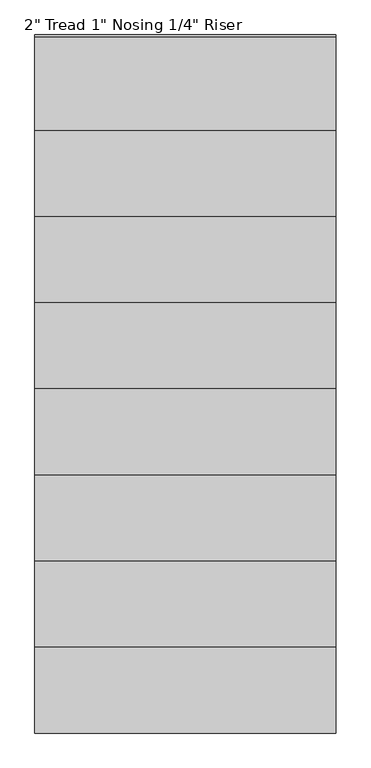
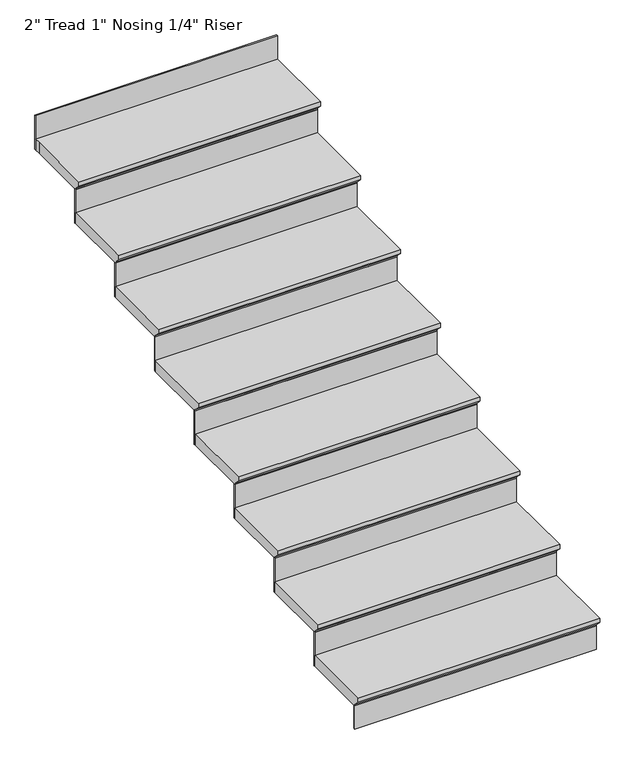
"""IFC4 building model written with IfcOpenShell, lengths in millimetres: stair flight geometry."""

from ifc_helpers import new_model, si_unit, origin, place, context, project, spatial, faceted_brep, source, transform, mapped, element, save


def stair_flight_7e932de0(model_context):
    return source(origin(), model_context, "Body", "Brep", [
        faceted_brep([(26146.5688569, -14483.5796278, 140.4055556), (26146.5688569, -14483.5796278, 159.4555556), (25079.7688569, -14483.5796278, 159.4555556), (25079.7688569, -14483.5796278, 140.4055556), (26146.5688569, -14458.1796278, 115.0055556), (25079.7688569, -14458.1796278, 115.0055556), (26146.5688569, -14153.3796278, 159.4555556), (25079.7688569, -14153.3796278, 159.4555556), (25079.7688569, -14458.1796278, 108.6555556), (25079.7688569, -14153.3796278, 108.6555556), (26146.5688569, -14153.3796278, 108.6555556), (26146.5688569, -14458.1796278, 108.6555556)], [[[0, 1, 2, 3]], [[4, 0, 3, 5]], [[2, 1, 6, 7]], [[8, 9, 10, 11]], [[2, 7, 9, 8, 5, 3]], [[8, 11, 4, 5]], [[6, 1, 0, 4, 11, 10]], [[7, 6, 10, 9]]]),
        faceted_brep([(26146.5688569, -14458.1796278, 108.6555556), (26146.5688569, -14458.1796278, 0.0), (26146.5688569, -14451.8296278, 0.0), (26146.5688569, -14451.8296278, 108.6555556), (25079.7688569, -14458.1796278, 108.6555556), (25079.7688569, -14451.8296278, 108.6555556), (25079.7688569, -14451.8296278, 0.0), (25079.7688569, -14458.1796278, 0.0)], [[[0, 1, 2, 3]], [[4, 5, 6, 7]], [[1, 0, 4, 7]], [[2, 1, 7, 6]], [[3, 2, 6, 5]], [[0, 3, 5, 4]]]),
        faceted_brep([(26146.5688569, -14153.3796278, 268.1111111), (26146.5688569, -14153.3796278, 108.6555556), (26146.5688569, -14147.0296278, 108.6555556), (26146.5688569, -14147.0296278, 268.1111111), (25079.7688569, -14153.3796278, 268.1111111), (25079.7688569, -14147.0296278, 268.1111111), (25079.7688569, -14147.0296278, 108.6555556), (25079.7688569, -14153.3796278, 108.6555556)], [[[0, 1, 2, 3]], [[4, 5, 6, 7]], [[1, 0, 4, 7]], [[2, 1, 7, 6]], [[3, 2, 6, 5]], [[0, 3, 5, 4]]]),
        faceted_brep([(25079.7688569, -14178.7796278, 318.9111111), (26146.5688569, -14178.7796278, 318.9111111), (26146.5688569, -13848.5796278, 318.9111111), (25079.7688569, -13848.5796278, 318.9111111), (25079.7688569, -14153.3796278, 268.1111111), (25079.7688569, -13848.5796278, 268.1111111), (26146.5688569, -13848.5796278, 268.1111111), (26146.5688569, -14153.3796278, 268.1111111), (25079.7688569, -14153.3796278, 274.4611111), (25079.7688569, -14178.7796278, 299.8611111), (26146.5688569, -14153.3796278, 274.4611111), (26146.5688569, -14178.7796278, 299.8611111)], [[[0, 1, 2, 3]], [[4, 5, 6, 7]], [[0, 3, 5, 4, 8, 9]], [[4, 7, 10, 8]], [[2, 1, 11, 10, 7, 6]], [[3, 2, 6, 5]], [[11, 1, 0, 9]], [[10, 11, 9, 8]]]),
        faceted_brep([(26146.5688569, -13848.5796278, 427.5666667), (26146.5688569, -13848.5796278, 268.1111111), (26146.5688569, -13842.2296278, 268.1111111), (26146.5688569, -13842.2296278, 427.5666667), (25079.7688569, -13848.5796278, 427.5666667), (25079.7688569, -13842.2296278, 427.5666667), (25079.7688569, -13842.2296278, 268.1111111), (25079.7688569, -13848.5796278, 268.1111111)], [[[0, 1, 2, 3]], [[4, 5, 6, 7]], [[1, 0, 4, 7]], [[2, 1, 7, 6]], [[3, 2, 6, 5]], [[0, 3, 5, 4]]]),
        faceted_brep([(25079.7688569, -13873.9796278, 478.3666667), (26146.5688569, -13873.9796278, 478.3666667), (26146.5688569, -13543.7796278, 478.3666667), (25079.7688569, -13543.7796278, 478.3666667), (25079.7688569, -13848.5796278, 427.5666667), (25079.7688569, -13543.7796278, 427.5666667), (26146.5688569, -13543.7796278, 427.5666667), (26146.5688569, -13848.5796278, 427.5666667), (25079.7688569, -13848.5796278, 433.9166667), (25079.7688569, -13873.9796278, 459.3166667), (26146.5688569, -13848.5796278, 433.9166667), (26146.5688569, -13873.9796278, 459.3166667)], [[[0, 1, 2, 3]], [[4, 5, 6, 7]], [[0, 3, 5, 4, 8, 9]], [[4, 7, 10, 8]], [[2, 1, 11, 10, 7, 6]], [[3, 2, 6, 5]], [[11, 1, 0, 9]], [[10, 11, 9, 8]]]),
        faceted_brep([(26146.5688569, -13543.7796278, 587.0222222), (26146.5688569, -13543.7796278, 427.5666667), (26146.5688569, -13537.4296278, 427.5666667), (26146.5688569, -13537.4296278, 587.0222222), (25079.7688569, -13543.7796278, 587.0222222), (25079.7688569, -13537.4296278, 587.0222222), (25079.7688569, -13537.4296278, 427.5666667), (25079.7688569, -13543.7796278, 427.5666667)], [[[0, 1, 2, 3]], [[4, 5, 6, 7]], [[1, 0, 4, 7]], [[2, 1, 7, 6]], [[3, 2, 6, 5]], [[0, 3, 5, 4]]]),
        faceted_brep([(25079.7688569, -13569.1796278, 637.8222222), (26146.5688569, -13569.1796278, 637.8222222), (26146.5688569, -13238.9796278, 637.8222222), (25079.7688569, -13238.9796278, 637.8222222), (25079.7688569, -13543.7796278, 587.0222222), (25079.7688569, -13238.9796278, 587.0222222), (26146.5688569, -13238.9796278, 587.0222222), (26146.5688569, -13543.7796278, 587.0222222), (25079.7688569, -13543.7796278, 593.3722222), (25079.7688569, -13569.1796278, 618.7722222), (26146.5688569, -13543.7796278, 593.3722222), (26146.5688569, -13569.1796278, 618.7722222)], [[[0, 1, 2, 3]], [[4, 5, 6, 7]], [[0, 3, 5, 4, 8, 9]], [[4, 7, 10, 8]], [[2, 1, 11, 10, 7, 6]], [[3, 2, 6, 5]], [[11, 1, 0, 9]], [[10, 11, 9, 8]]]),
        faceted_brep([(26146.5688569, -13238.9796278, 746.4777778), (26146.5688569, -13238.9796278, 587.0222222), (26146.5688569, -13232.6296278, 587.0222222), (26146.5688569, -13232.6296278, 746.4777778), (25079.7688569, -13238.9796278, 746.4777778), (25079.7688569, -13232.6296278, 746.4777778), (25079.7688569, -13232.6296278, 587.0222222), (25079.7688569, -13238.9796278, 587.0222222)], [[[0, 1, 2, 3]], [[4, 5, 6, 7]], [[1, 0, 4, 7]], [[2, 1, 7, 6]], [[3, 2, 6, 5]], [[0, 3, 5, 4]]]),
        faceted_brep([(25079.7688569, -13264.3796278, 797.2777778), (26146.5688569, -13264.3796278, 797.2777778), (26146.5688569, -12934.1796278, 797.2777778), (25079.7688569, -12934.1796278, 797.2777778), (25079.7688569, -13238.9796278, 746.4777778), (25079.7688569, -12934.1796278, 746.4777778), (26146.5688569, -12934.1796278, 746.4777778), (26146.5688569, -13238.9796278, 746.4777778), (25079.7688569, -13238.9796278, 752.8277778), (25079.7688569, -13264.3796278, 778.2277778), (26146.5688569, -13238.9796278, 752.8277778), (26146.5688569, -13264.3796278, 778.2277778)], [[[0, 1, 2, 3]], [[4, 5, 6, 7]], [[0, 3, 5, 4, 8, 9]], [[4, 7, 10, 8]], [[2, 1, 11, 10, 7, 6]], [[3, 2, 6, 5]], [[11, 1, 0, 9]], [[10, 11, 9, 8]]]),
        faceted_brep([(26146.5688569, -12934.1796278, 905.9333333), (26146.5688569, -12934.1796278, 746.4777778), (26146.5688569, -12927.8296278, 746.4777778), (26146.5688569, -12927.8296278, 905.9333333), (25079.7688569, -12934.1796278, 905.9333333), (25079.7688569, -12927.8296278, 905.9333333), (25079.7688569, -12927.8296278, 746.4777778), (25079.7688569, -12934.1796278, 746.4777778)], [[[0, 1, 2, 3]], [[4, 5, 6, 7]], [[1, 0, 4, 7]], [[2, 1, 7, 6]], [[3, 2, 6, 5]], [[0, 3, 5, 4]]]),
        faceted_brep([(25079.7688569, -12959.5796278, 956.7333333), (26146.5688569, -12959.5796278, 956.7333333), (26146.5688569, -12629.3796278, 956.7333333), (25079.7688569, -12629.3796278, 956.7333333), (25079.7688569, -12934.1796278, 905.9333333), (25079.7688569, -12629.3796278, 905.9333333), (26146.5688569, -12629.3796278, 905.9333333), (26146.5688569, -12934.1796278, 905.9333333), (25079.7688569, -12934.1796278, 912.2833333), (25079.7688569, -12959.5796278, 937.6833333), (26146.5688569, -12934.1796278, 912.2833333), (26146.5688569, -12959.5796278, 937.6833333)], [[[0, 1, 2, 3]], [[4, 5, 6, 7]], [[0, 3, 5, 4, 8, 9]], [[4, 7, 10, 8]], [[2, 1, 11, 10, 7, 6]], [[3, 2, 6, 5]], [[11, 1, 0, 9]], [[10, 11, 9, 8]]]),
        faceted_brep([(26146.5688569, -12629.3796278, 1065.3888889), (26146.5688569, -12629.3796278, 905.9333333), (26146.5688569, -12623.0296278, 905.9333333), (26146.5688569, -12623.0296278, 1065.3888889), (25079.7688569, -12629.3796278, 1065.3888889), (25079.7688569, -12623.0296278, 1065.3888889), (25079.7688569, -12623.0296278, 905.9333333), (25079.7688569, -12629.3796278, 905.9333333)], [[[0, 1, 2, 3]], [[4, 5, 6, 7]], [[1, 0, 4, 7]], [[2, 1, 7, 6]], [[3, 2, 6, 5]], [[0, 3, 5, 4]]]),
        faceted_brep([(25079.7688569, -12654.7796278, 1116.1888889), (26146.5688569, -12654.7796278, 1116.1888889), (26146.5688569, -12324.5796278, 1116.1888889), (25079.7688569, -12324.5796278, 1116.1888889), (25079.7688569, -12629.3796278, 1065.3888889), (25079.7688569, -12324.5796278, 1065.3888889), (26146.5688569, -12324.5796278, 1065.3888889), (26146.5688569, -12629.3796278, 1065.3888889), (25079.7688569, -12629.3796278, 1071.7388889), (25079.7688569, -12654.7796278, 1097.1388889), (26146.5688569, -12629.3796278, 1071.7388889), (26146.5688569, -12654.7796278, 1097.1388889)], [[[0, 1, 2, 3]], [[4, 5, 6, 7]], [[0, 3, 5, 4, 8, 9]], [[4, 7, 10, 8]], [[2, 1, 11, 10, 7, 6]], [[3, 2, 6, 5]], [[11, 1, 0, 9]], [[10, 11, 9, 8]]]),
        faceted_brep([(26146.5688569, -12019.7796278, 1384.3), (26146.5688569, -12019.7796278, 1224.8444444), (26146.5688569, -12013.4296278, 1224.8444444), (26146.5688569, -12013.4296278, 1384.3), (25079.7688569, -12019.7796278, 1384.3), (25079.7688569, -12013.4296278, 1384.3), (25079.7688569, -12013.4296278, 1224.8444444), (25079.7688569, -12019.7796278, 1224.8444444)], [[[0, 1, 2, 3]], [[4, 5, 6, 7]], [[1, 0, 4, 7]], [[2, 1, 7, 6]], [[3, 2, 6, 5]], [[0, 3, 5, 4]]]),
        faceted_brep([(26146.5688569, -12324.5796278, 1224.8444444), (26146.5688569, -12324.5796278, 1065.3888889), (26146.5688569, -12318.2296278, 1065.3888889), (26146.5688569, -12318.2296278, 1224.8444444), (25079.7688569, -12324.5796278, 1224.8444444), (25079.7688569, -12318.2296278, 1224.8444444), (25079.7688569, -12318.2296278, 1065.3888889), (25079.7688569, -12324.5796278, 1065.3888889)], [[[0, 1, 2, 3]], [[4, 5, 6, 7]], [[1, 0, 4, 7]], [[2, 1, 7, 6]], [[3, 2, 6, 5]], [[0, 3, 5, 4]]]),
        faceted_brep([(25079.7688569, -12019.7796278, 1275.6444444), (25079.7688569, -12045.1796278, 1275.6444444), (25079.7688569, -12349.9796278, 1275.6444444), (26146.5688569, -12349.9796278, 1275.6444444), (26146.5688569, -12019.7796278, 1275.6444444), (25079.7688569, -12045.1796278, 1224.8444444), (25079.7688569, -12019.7796278, 1224.8444444), (26146.5688569, -12019.7796278, 1224.8444444), (26146.5688569, -12324.5796278, 1224.8444444), (25079.7688569, -12324.5796278, 1224.8444444), (25079.7688569, -12324.5796278, 1231.1944444), (25079.7688569, -12349.9796278, 1256.5944444), (26146.5688569, -12324.5796278, 1231.1944444), (26146.5688569, -12349.9796278, 1256.5944444)], [[[0, 1, 2, 3, 4]], [[5, 6, 7, 8, 9]], [[1, 0, 6, 5]], [[2, 1, 5, 9, 10, 11]], [[9, 8, 12, 10]], [[4, 3, 13, 12, 8, 7]], [[0, 4, 7, 6]], [[13, 3, 2, 11]], [[12, 13, 11, 10]]]),
    ])


if __name__ == "__main__":
    model = new_model("IFC4")
    model_context = context("Model", 3, world=origin())
    ifc_project = project(units=[si_unit("LENGTHUNIT", "METRE", prefix="MILLI")], contexts=[model_context])
    site = spatial("IfcSite", under=ifc_project)
    building = spatial("IfcBuilding", under=site)
    placement = place(None, origin())
    stair_flight_shape = stair_flight_7e932de0(model_context)
    element("IfcStairFlight", 1, ObjectType="2\" Tread 1\" Nosing 1/4\" Riser", at=placement, inside=building, context=model_context, shape_type="MappedRepresentation", body=[
        mapped(stair_flight_shape, transform((0.0, 0.0, 0.0), x_axis=(1.0, 0.0, 0.0), y_axis=(0.0, 1.0, 0.0), z_axis=(0.0, 0.0, 1.0))),
    ])
    save(model, "model.ifc")
